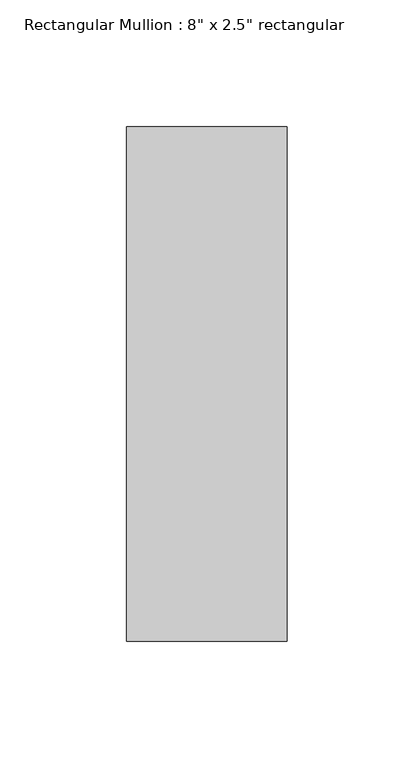
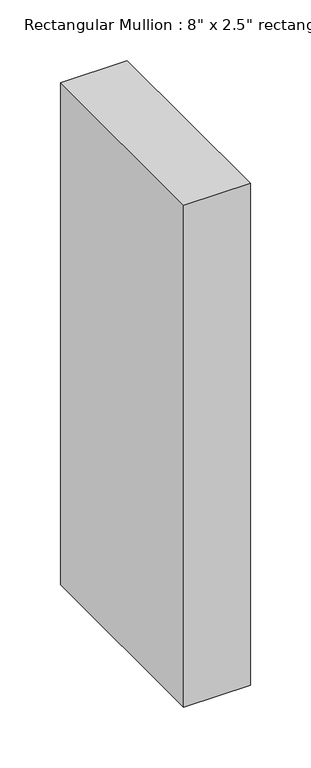
"""IFC4 building model written with IfcOpenShell, lengths in millimetres: member geometry."""

from ifc_helpers import new_model, si_unit, frame, origin, place, context, project, spatial, polyline, outline, extrude, source, transform, mapped, element, save


def member_7f620c17(model_context):
    return source(origin(), model_context, "Body", "SweptSolid", [
        extrude(outline(polyline([(0.0, 88.9), (0.0, -114.3), (-63.5, -114.3), (-63.5, 88.9), (0.0, 88.9)])), frame((0.0, 0.0, -504.9690621), z_axis=(0.0, 0.0, 1.0), x_axis=(1.0, 0.0, 0.0)), (0.0, 0.0, 1.0), 504.9690621),
    ])


if __name__ == "__main__":
    model = new_model("IFC4")
    model_context = context("Model", 3, world=origin())
    ifc_project = project(units=[si_unit("LENGTHUNIT", "METRE", prefix="MILLI")], contexts=[model_context])
    site = spatial("IfcSite", under=ifc_project)
    building = spatial("IfcBuilding", under=site)
    placement = place(None, origin())
    member_shape = member_7f620c17(model_context)
    element("IfcMember", 1, ObjectType="Rectangular Mullion : 8\" x 2.5\" rectangular", at=placement, inside=building, context=model_context, shape_type="MappedRepresentation", body=[
        mapped(member_shape, transform((0.0, 0.0, 0.0), x_axis=(1.0, 0.0, 0.0), y_axis=(0.0, 1.0, 0.0), z_axis=(0.0, 0.0, 1.0))),
    ])
    save(model, "model.ifc")
